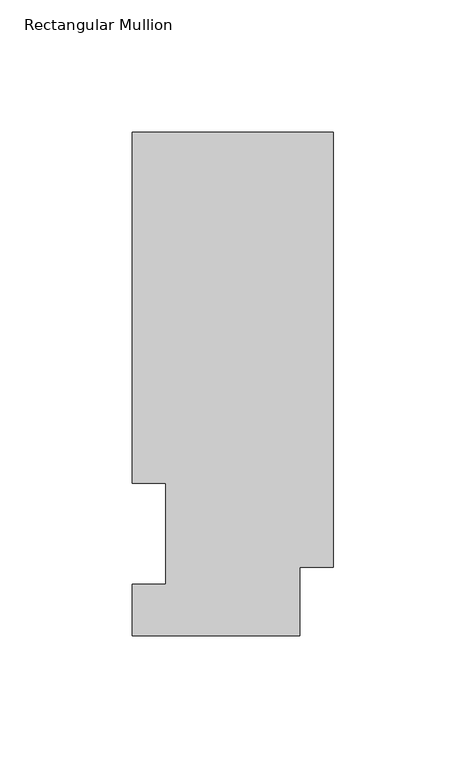
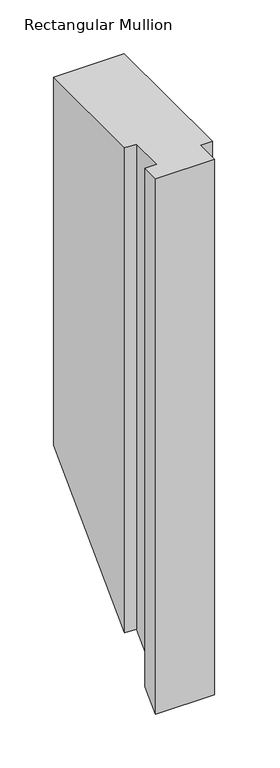
"""IFC4 building model written with IfcOpenShell, lengths in millimetres: member geometry, Rectangular Mullion."""

from ifc_helpers import new_model, si_unit, origin, place, context, project, spatial, faceted_brep, source, transform, mapped, element, save


def rectangular_mullion_19d6268f(model_context):
    return source(origin(), model_context, "Body", "Brep", [
        faceted_brep([(-76.2, 0.0134937, 0.0), (-12.7, 0.0134937, 0.0), (-12.7, 25.8960937, 0.0), (0.0, 25.8960937, 0.0), (0.0, 190.5896937, 0.0), (-76.2, 190.5896937, 0.0), (-76.2, 57.6460937, 0.0), (-63.5127, 57.6460937, 0.0), (-63.5127, 19.5460937, 0.0), (-76.2, 19.5460937, 0.0), (-76.2, 0.0134937, -609.5547563), (-12.7, 0.0134937, -609.5547563), (-12.7, 25.8960937, -583.6721563), (0.0, 25.8960937, -583.6721563), (0.0, 190.5896937, -418.9785563), (-76.2, 190.5896937, -418.9785563), (-76.2, 57.6460937, -551.9221563), (-63.5127, 57.6460937, -551.9221563), (-63.5127, 19.5460937, -590.0221563), (-76.2, 19.5460937, -590.0221563)], [[[0, 1, 2, 3, 4, 5, 6, 7, 8, 9]], [[1, 0, 10, 11]], [[2, 1, 11, 12]], [[3, 2, 12, 13]], [[4, 3, 13, 14]], [[5, 4, 14, 15]], [[6, 5, 15, 16]], [[7, 6, 16, 17]], [[8, 7, 17, 18]], [[9, 8, 18, 19]], [[0, 9, 19, 10]], [[10, 19, 18, 17, 16, 15, 14, 13, 12, 11]]]),
    ])


if __name__ == "__main__":
    model = new_model("IFC4")
    model_context = context("Model", 3, world=origin())
    ifc_project = project(units=[si_unit("LENGTHUNIT", "METRE", prefix="MILLI")], contexts=[model_context])
    site = spatial("IfcSite", under=ifc_project)
    building = spatial("IfcBuilding", under=site)
    placement = place(None, origin())
    rectangular_mullion_shape = rectangular_mullion_19d6268f(model_context)
    element("IfcMember", 1, ObjectType="Rectangular Mullion", at=placement, inside=building, context=model_context, shape_type="MappedRepresentation", body=[
        mapped(rectangular_mullion_shape, transform((0.0, 0.0, 0.0), x_axis=(1.0, 0.0, 0.0), y_axis=(0.0, 1.0, 0.0), z_axis=(0.0, 0.0, 1.0))),
    ])
    save(model, "model.ifc")
